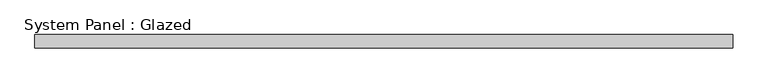
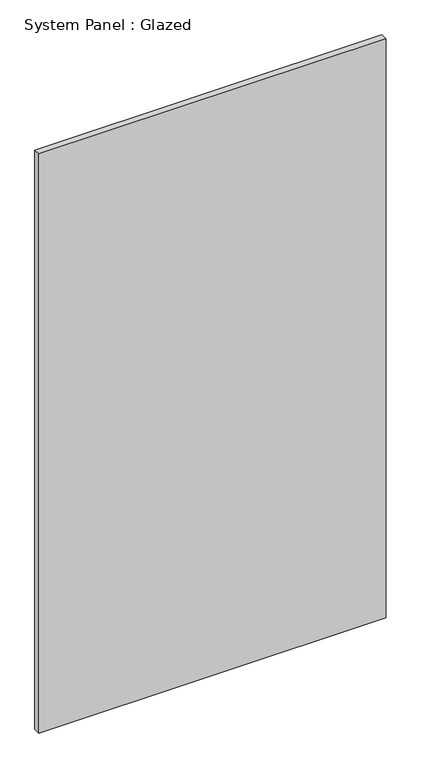
"""IFC4 building model written with IfcOpenShell, lengths in millimetres: plate geometry, System Panel : Glazed."""

from ifc_helpers import new_model, si_unit, origin, origin_with_axes, place, context, project, spatial, polyline, outline, extrude, source, transform, mapped, element, save


def system_panel_glazed_f233d5ad(model_context):
    return source(origin(), model_context, "Body", "SweptSolid", [
        extrude(outline(polyline([(664.9166667, -44.45), (-664.9166667, -44.45), (-664.9166667, -19.05), (664.9166667, -19.05), (664.9166667, -44.45)])), origin_with_axes(), (0.0, 0.0, 1.0), 2343.15),
    ])


if __name__ == "__main__":
    model = new_model("IFC4")
    model_context = context("Model", 3, world=origin())
    ifc_project = project(units=[si_unit("LENGTHUNIT", "METRE", prefix="MILLI")], contexts=[model_context])
    site = spatial("IfcSite", under=ifc_project)
    building = spatial("IfcBuilding", under=site)
    placement = place(None, origin())
    system_panel_glazed_shape = system_panel_glazed_f233d5ad(model_context)
    element("IfcPlate", 1, ObjectType="System Panel : Glazed", at=placement, inside=building, context=model_context, shape_type="MappedRepresentation", body=[
        mapped(system_panel_glazed_shape, transform((0.0, 0.0, 0.0), x_axis=(1.0, 0.0, 0.0), y_axis=(0.0, 1.0, 0.0), z_axis=(0.0, 0.0, 1.0))),
    ])
    save(model, "model.ifc")
